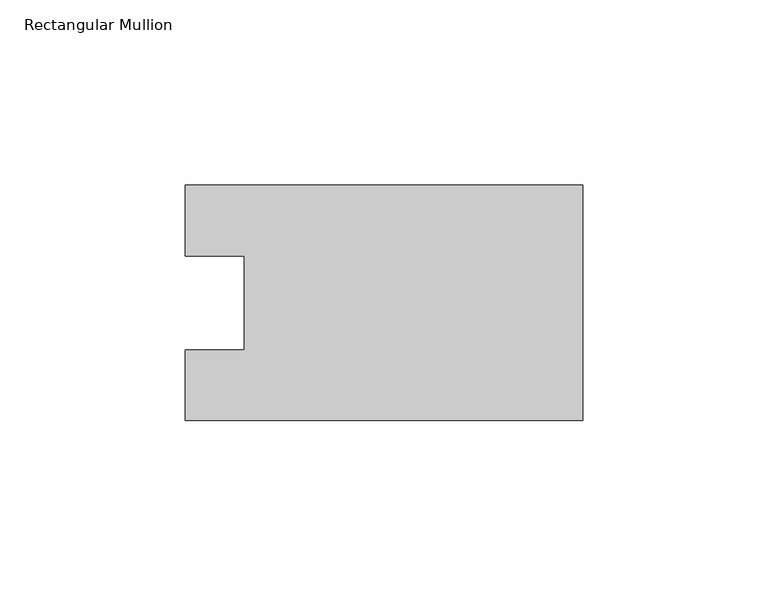
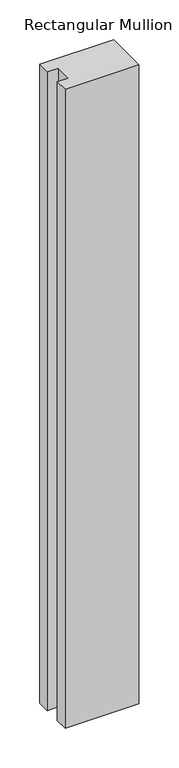
"""IFC4 building model written with IfcOpenShell, lengths in millimetres: member geometry, Rectangular Mullion."""

from ifc_helpers import new_model, si_unit, frame, origin, place, context, project, spatial, polyline, outline, extrude, source, transform, mapped, element, save


def rectangular_mullion_86c5115c(model_context):
    return source(origin(), model_context, "Body", "SweptSolid", [
        extrude(outline(polyline([(0.0, 31.7489583), (0.0, -31.7489583), (-107.0607968, -31.7489583), (-107.0607968, -12.7), (-91.1857968, -12.7), (-91.1857968, 12.7), (-107.0607968, 12.7), (-107.0607968, 31.7489583), (0.0, 31.7489583)])), frame((0.0, 0.0, -979.6447597), z_axis=(0.0, 0.0, 1.0), x_axis=(1.0, 0.0, 0.0)), (0.0, 0.0, 1.0), 979.6447597),
    ])


if __name__ == "__main__":
    model = new_model("IFC4")
    model_context = context("Model", 3, world=origin())
    ifc_project = project(units=[si_unit("LENGTHUNIT", "METRE", prefix="MILLI")], contexts=[model_context])
    site = spatial("IfcSite", under=ifc_project)
    building = spatial("IfcBuilding", under=site)
    placement = place(None, origin())
    rectangular_mullion_shape = rectangular_mullion_86c5115c(model_context)
    element("IfcMember", 1, ObjectType="Rectangular Mullion", at=placement, inside=building, context=model_context, shape_type="MappedRepresentation", body=[
        mapped(rectangular_mullion_shape, transform((0.0, 0.0, 0.0), x_axis=(1.0, 0.0, 0.0), y_axis=(0.0, 1.0, 0.0), z_axis=(0.0, 0.0, 1.0))),
    ])
    save(model, "model.ifc")
